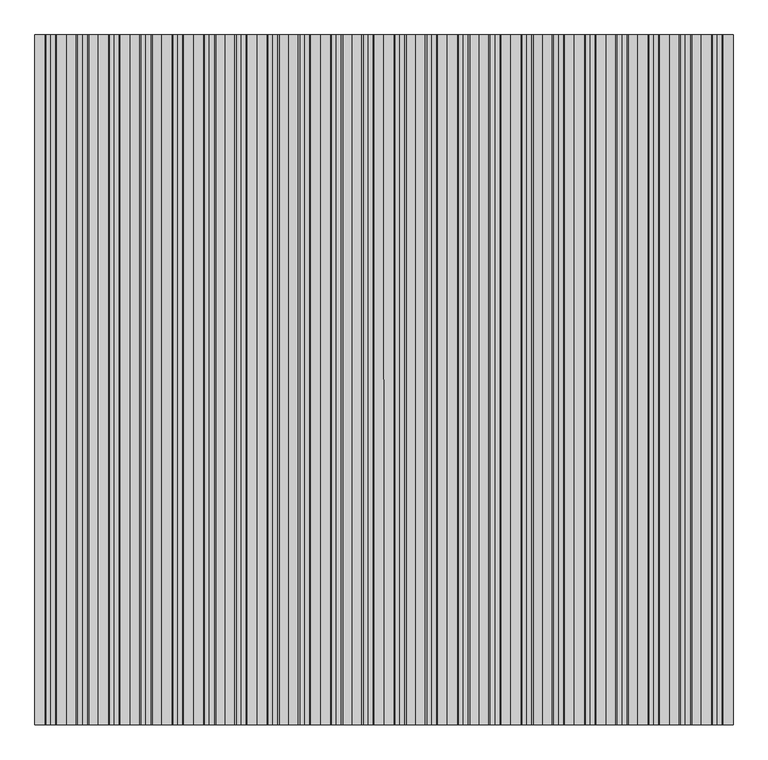
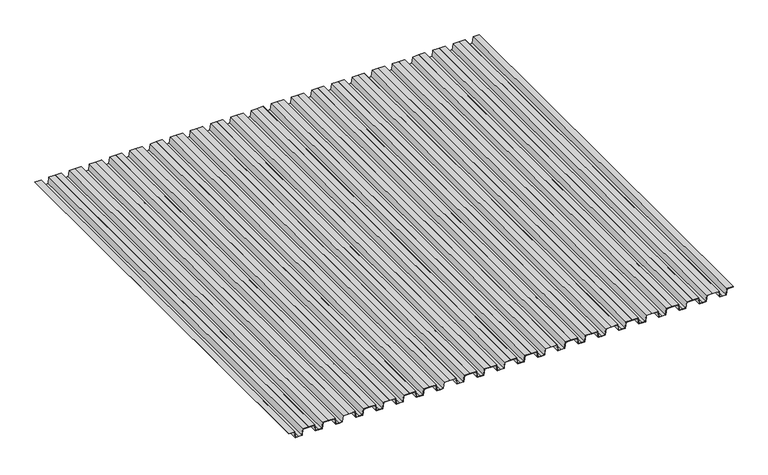
"""IFC4 building model written with IfcOpenShell, lengths in millimetres: proxy geometry."""

from ifc_helpers import new_model, si_unit, frame, origin, place, context, project, spatial, polyline, outline, extrude, source, transform, mapped, element, save


def generic_models_78f31dea(model_context):
    return source(origin(), model_context, "Body", "SweptSolid", [
        extrude(outline(polyline([(0.0, 4900.0), (0.0, 4830.0), (-4.0, 4830.0), (-4.0, 4896.5308184), (-74.0, 4906.5308184), (-74.0, 4945.0), (-74.0, 4983.4691816), (-4.0, 4993.4691816), (-4.0, 5060.0), (0.0, 5060.0), (0.0, 4990.0), (-70.0, 4980.0), (-70.0, 4945.0), (-70.0, 4910.0), (0.0, 4900.0)])), frame((0.0, -5000.0, 0.0), z_axis=(0.0, 1.0, 0.0), x_axis=(0.0, 0.0, 1.0)), (0.0, 0.0, 1.0), 5000.0),
        extrude(outline(polyline([(0.0, 4670.0), (0.0, 4600.0), (-4.0, 4600.0), (-4.0, 4666.5308184), (-74.0, 4676.5308184), (-74.0, 4715.0), (-74.0, 4753.4691816), (-4.0, 4763.4691816), (-4.0, 4830.0), (0.0, 4830.0), (0.0, 4760.0), (-70.0, 4750.0), (-70.0, 4715.0), (-70.0, 4680.0), (0.0, 4670.0)])), frame((0.0, -5000.0, 0.0), z_axis=(0.0, 1.0, 0.0), x_axis=(0.0, 0.0, 1.0)), (0.0, 0.0, 1.0), 5000.0),
        extrude(outline(polyline([(0.0, 4440.0), (0.0, 4370.0), (-4.0, 4370.0), (-4.0, 4436.5308184), (-74.0, 4446.5308184), (-74.0, 4485.0), (-74.0, 4523.4691816), (-4.0, 4533.4691816), (-4.0, 4600.0), (0.0, 4600.0), (0.0, 4530.0), (-70.0, 4520.0), (-70.0, 4485.0), (-70.0, 4450.0), (0.0, 4440.0)])), frame((0.0, -5000.0, 0.0), z_axis=(0.0, 1.0, 0.0), x_axis=(0.0, 0.0, 1.0)), (0.0, 0.0, 1.0), 5000.0),
        extrude(outline(polyline([(0.0, 4210.0), (0.0, 4140.0), (-4.0, 4140.0), (-4.0, 4206.5308184), (-74.0, 4216.5308184), (-74.0, 4255.0), (-74.0, 4293.4691816), (-4.0, 4303.4691816), (-4.0, 4370.0), (0.0, 4370.0), (0.0, 4300.0), (-70.0, 4290.0), (-70.0, 4255.0), (-70.0, 4220.0), (0.0, 4210.0)])), frame((0.0, -5000.0, 0.0), z_axis=(0.0, 1.0, 0.0), x_axis=(0.0, 0.0, 1.0)), (0.0, 0.0, 1.0), 5000.0),
        extrude(outline(polyline([(0.0, 3980.0), (0.0, 3910.0), (-4.0, 3910.0), (-4.0, 3976.5308184), (-74.0, 3986.5308184), (-74.0, 4025.0), (-74.0, 4063.4691816), (-4.0, 4073.4691816), (-4.0, 4140.0), (0.0, 4140.0), (0.0, 4070.0), (-70.0, 4060.0), (-70.0, 4025.0), (-70.0, 3990.0), (0.0, 3980.0)])), frame((0.0, -5000.0, 0.0), z_axis=(0.0, 1.0, 0.0), x_axis=(0.0, 0.0, 1.0)), (0.0, 0.0, 1.0), 5000.0),
        extrude(outline(polyline([(0.0, 3750.0), (0.0, 3680.0), (-4.0, 3680.0), (-4.0, 3746.5308184), (-74.0, 3756.5308184), (-74.0, 3795.0), (-74.0, 3833.4691816), (-4.0, 3843.4691816), (-4.0, 3910.0), (0.0, 3910.0), (0.0, 3840.0), (-70.0, 3830.0), (-70.0, 3795.0), (-70.0, 3760.0), (0.0, 3750.0)])), frame((0.0, -5000.0, 0.0), z_axis=(0.0, 1.0, 0.0), x_axis=(0.0, 0.0, 1.0)), (0.0, 0.0, 1.0), 5000.0),
        extrude(outline(polyline([(0.0, 3520.0), (0.0, 3450.0), (-4.0, 3450.0), (-4.0, 3516.5308184), (-74.0, 3526.5308184), (-74.0, 3565.0), (-74.0, 3603.4691816), (-4.0, 3613.4691816), (-4.0, 3680.0), (0.0, 3680.0), (0.0, 3610.0), (-70.0, 3600.0), (-70.0, 3565.0), (-70.0, 3530.0), (0.0, 3520.0)])), frame((0.0, -5000.0, 0.0), z_axis=(0.0, 1.0, 0.0), x_axis=(0.0, 0.0, 1.0)), (0.0, 0.0, 1.0), 5000.0),
        extrude(outline(polyline([(0.0, 3290.0), (0.0, 3220.0), (-4.0, 3220.0), (-4.0, 3286.5308184), (-74.0, 3296.5308184), (-74.0, 3335.0), (-74.0, 3373.4691816), (-4.0, 3383.4691816), (-4.0, 3450.0), (0.0, 3450.0), (0.0, 3380.0), (-70.0, 3370.0), (-70.0, 3335.0), (-70.0, 3300.0), (0.0, 3290.0)])), frame((0.0, -5000.0, 0.0), z_axis=(0.0, 1.0, 0.0), x_axis=(0.0, 0.0, 1.0)), (0.0, 0.0, 1.0), 5000.0),
        extrude(outline(polyline([(0.0, 3060.0), (0.0, 2990.0), (-4.0, 2990.0), (-4.0, 3056.5308184), (-74.0, 3066.5308184), (-74.0, 3105.0), (-74.0, 3143.4691816), (-4.0, 3153.4691816), (-4.0, 3220.0), (0.0, 3220.0), (0.0, 3150.0), (-70.0, 3140.0), (-70.0, 3105.0), (-70.0, 3070.0), (0.0, 3060.0)])), frame((0.0, -5000.0, 0.0), z_axis=(0.0, 1.0, 0.0), x_axis=(0.0, 0.0, 1.0)), (0.0, 0.0, 1.0), 5000.0),
        extrude(outline(polyline([(0.0, 2830.0), (0.0, 2760.0), (-4.0, 2760.0), (-4.0, 2826.5308184), (-74.0, 2836.5308184), (-74.0, 2875.0), (-74.0, 2913.4691816), (-4.0, 2923.4691816), (-4.0, 2990.0), (0.0, 2990.0), (0.0, 2920.0), (-70.0, 2910.0), (-70.0, 2875.0), (-70.0, 2840.0), (0.0, 2830.0)])), frame((0.0, -5000.0, 0.0), z_axis=(0.0, 1.0, 0.0), x_axis=(0.0, 0.0, 1.0)), (0.0, 0.0, 1.0), 5000.0),
        extrude(outline(polyline([(0.0, 2600.0), (0.0, 2530.0), (-4.0, 2530.0), (-4.0, 2596.5308184), (-74.0, 2606.5308184), (-74.0, 2645.0), (-74.0, 2683.4691816), (-4.0, 2693.4691816), (-4.0, 2760.0), (0.0, 2760.0), (0.0, 2690.0), (-70.0, 2680.0), (-70.0, 2645.0), (-70.0, 2610.0), (0.0, 2600.0)])), frame((0.0, -5000.0, 0.0), z_axis=(0.0, 1.0, 0.0), x_axis=(0.0, 0.0, 1.0)), (0.0, 0.0, 1.0), 5000.0),
        extrude(outline(polyline([(0.0, 2370.0), (0.0, 2300.0), (-4.0, 2300.0), (-4.0, 2366.5308184), (-74.0, 2376.5308184), (-74.0, 2415.0), (-74.0, 2453.4691816), (-4.0, 2463.4691816), (-4.0, 2530.0), (0.0, 2530.0), (0.0, 2460.0), (-70.0, 2450.0), (-70.0, 2415.0), (-70.0, 2380.0), (0.0, 2370.0)])), frame((0.0, -5000.0, 0.0), z_axis=(0.0, 1.0, 0.0), x_axis=(0.0, 0.0, 1.0)), (0.0, 0.0, 1.0), 5000.0),
        extrude(outline(polyline([(0.0, 2140.0), (0.0, 2070.0), (-4.0, 2070.0), (-4.0, 2136.5308184), (-74.0, 2146.5308184), (-74.0, 2185.0), (-74.0, 2223.4691816), (-4.0, 2233.4691816), (-4.0, 2300.0), (0.0, 2300.0), (0.0, 2230.0), (-70.0, 2220.0), (-70.0, 2185.0), (-70.0, 2150.0), (0.0, 2140.0)])), frame((0.0, -5000.0, 0.0), z_axis=(0.0, 1.0, 0.0), x_axis=(0.0, 0.0, 1.0)), (0.0, 0.0, 1.0), 5000.0),
        extrude(outline(polyline([(0.0, 1910.0), (0.0, 1840.0), (-4.0, 1840.0), (-4.0, 1906.5308184), (-74.0, 1916.5308184), (-74.0, 1955.0), (-74.0, 1993.4691816), (-4.0, 2003.4691816), (-4.0, 2070.0), (0.0, 2070.0), (0.0, 2000.0), (-70.0, 1990.0), (-70.0, 1955.0), (-70.0, 1920.0), (0.0, 1910.0)])), frame((0.0, -5000.0, 0.0), z_axis=(0.0, 1.0, 0.0), x_axis=(0.0, 0.0, 1.0)), (0.0, 0.0, 1.0), 5000.0),
        extrude(outline(polyline([(0.0, 1680.0), (0.0, 1610.0), (-4.0, 1610.0), (-4.0, 1676.5308184), (-74.0, 1686.5308184), (-74.0, 1725.0), (-74.0, 1763.4691816), (-4.0, 1773.4691816), (-4.0, 1840.0), (0.0, 1840.0), (0.0, 1770.0), (-70.0, 1760.0), (-70.0, 1725.0), (-70.0, 1690.0), (0.0, 1680.0)])), frame((0.0, -5000.0, 0.0), z_axis=(0.0, 1.0, 0.0), x_axis=(0.0, 0.0, 1.0)), (0.0, 0.0, 1.0), 5000.0),
        extrude(outline(polyline([(0.0, 1450.0), (0.0, 1380.0), (-4.0, 1380.0), (-4.0, 1446.5308184), (-74.0, 1456.5308184), (-74.0, 1495.0), (-74.0, 1533.4691816), (-4.0, 1543.4691816), (-4.0, 1610.0), (0.0, 1610.0), (0.0, 1540.0), (-70.0, 1530.0), (-70.0, 1495.0), (-70.0, 1460.0), (0.0, 1450.0)])), frame((0.0, -5000.0, 0.0), z_axis=(0.0, 1.0, 0.0), x_axis=(0.0, 0.0, 1.0)), (0.0, 0.0, 1.0), 5000.0),
        extrude(outline(polyline([(0.0, 1220.0), (0.0, 1150.0), (-4.0, 1150.0), (-4.0, 1216.5308184), (-74.0, 1226.5308184), (-74.0, 1265.0), (-74.0, 1303.4691816), (-4.0, 1313.4691816), (-4.0, 1380.0), (0.0, 1380.0), (0.0, 1310.0), (-70.0, 1300.0), (-70.0, 1265.0), (-70.0, 1230.0), (0.0, 1220.0)])), frame((0.0, -5000.0, 0.0), z_axis=(0.0, 1.0, 0.0), x_axis=(0.0, 0.0, 1.0)), (0.0, 0.0, 1.0), 5000.0),
        extrude(outline(polyline([(0.0, 990.0), (0.0, 920.0), (-4.0, 920.0), (-4.0, 986.5308184), (-74.0, 996.5308184), (-74.0, 1035.0), (-74.0, 1073.4691816), (-4.0, 1083.4691816), (-4.0, 1150.0), (0.0, 1150.0), (0.0, 1080.0), (-70.0, 1070.0), (-70.0, 1035.0), (-70.0, 1000.0), (0.0, 990.0)])), frame((0.0, -5000.0, 0.0), z_axis=(0.0, 1.0, 0.0), x_axis=(0.0, 0.0, 1.0)), (0.0, 0.0, 1.0), 5000.0),
        extrude(outline(polyline([(0.0, 760.0), (0.0, 690.0), (-4.0, 690.0), (-4.0, 756.5308184), (-74.0, 766.5308184), (-74.0, 805.0), (-74.0, 843.4691816), (-4.0, 853.4691816), (-4.0, 920.0), (0.0, 920.0), (0.0, 850.0), (-70.0, 840.0), (-70.0, 805.0), (-70.0, 770.0), (0.0, 760.0)])), frame((0.0, -5000.0, 0.0), z_axis=(0.0, 1.0, 0.0), x_axis=(0.0, 0.0, 1.0)), (0.0, 0.0, 1.0), 5000.0),
        extrude(outline(polyline([(0.0, 530.0), (0.0, 460.0), (-4.0, 460.0), (-4.0, 526.5308184), (-74.0, 536.5308184), (-74.0, 575.0), (-74.0, 613.4691816), (-4.0, 623.4691816), (-4.0, 690.0), (0.0, 690.0), (0.0, 620.0), (-70.0, 610.0), (-70.0, 575.0), (-70.0, 540.0), (0.0, 530.0)])), frame((0.0, -5000.0, 0.0), z_axis=(0.0, 1.0, 0.0), x_axis=(0.0, 0.0, 1.0)), (0.0, 0.0, 1.0), 5000.0),
        extrude(outline(polyline([(0.0, 300.0), (0.0, 230.0), (-4.0, 230.0), (-4.0, 296.5308184), (-74.0, 306.5308184), (-74.0, 345.0), (-74.0, 383.4691816), (-4.0, 393.4691816), (-4.0, 460.0), (0.0, 460.0), (0.0, 390.0), (-70.0, 380.0), (-70.0, 345.0), (-70.0, 310.0), (0.0, 300.0)])), frame((0.0, -5000.0, 0.0), z_axis=(0.0, 1.0, 0.0), x_axis=(0.0, 0.0, 1.0)), (0.0, 0.0, 1.0), 5000.0),
        extrude(outline(polyline([(0.0, 70.0), (0.0, 0.0), (-4.0, 0.0), (-4.0, 66.5308184), (-74.0, 76.5308184), (-74.0, 115.0), (-74.0, 153.4691816), (-4.0, 163.4691816), (-4.0, 230.0), (0.0, 230.0), (0.0, 160.0), (-70.0, 150.0), (-70.0, 115.0), (-70.0, 80.0), (0.0, 70.0)])), frame((0.0, -5000.0, 0.0), z_axis=(0.0, 1.0, 0.0), x_axis=(0.0, 0.0, 1.0)), (0.0, 0.0, 1.0), 5000.0),
    ])


if __name__ == "__main__":
    model = new_model("IFC4")
    model_context = context("Model", 3, world=origin())
    ifc_project = project(units=[si_unit("LENGTHUNIT", "METRE", prefix="MILLI")], contexts=[model_context])
    site = spatial("IfcSite", under=ifc_project)
    building = spatial("IfcBuilding", under=site)
    placement = place(None, origin())
    generic_models_shape = generic_models_78f31dea(model_context)
    element("IfcBuildingElementProxy", 1, Name="Generic Models", at=placement, inside=building, context=model_context, shape_type="MappedRepresentation", body=[
        mapped(generic_models_shape, transform((0.0, 0.0, 0.0), x_axis=(1.0, 0.0, 0.0), y_axis=(0.0, 1.0, 0.0), z_axis=(0.0, 0.0, 1.0))),
    ])
    save(model, "model.ifc")
